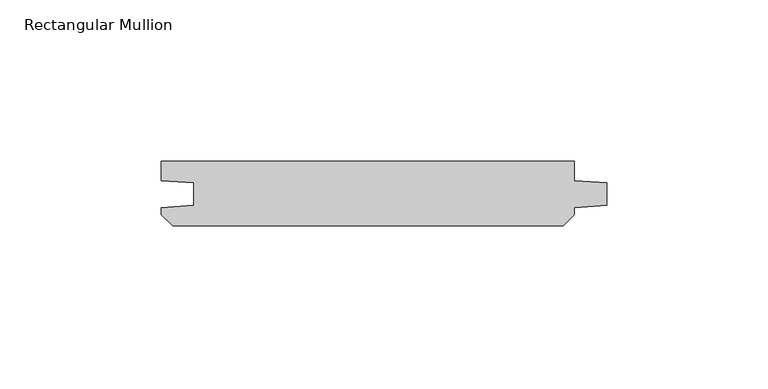
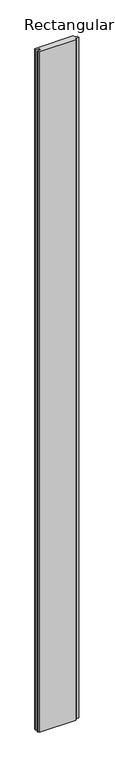
"""IFC4 building model written with IfcOpenShell, lengths in millimetres: member geometry, Rectangular Mullion."""

from ifc_helpers import new_model, si_unit, frame, origin, place, context, project, spatial, polyline, outline, extrude, source, transform, mapped, element, save


def rectangular_mullion_42955a20(model_context):
    return source(origin(), model_context, "Body", "SweptSolid", [
        extrude(outline(polyline([(-10.0, 0.0), (-10.0, -5.9651903), (0.0, -6.6644584), (0.0, -13.6642442), (-10.0, -14.3635124), (-10.0, -16.5283124), (-13.4716876, -20.0), (-134.5283124, -20.0), (-138.0, -16.5283124), (-138.0, -14.3635124), (-128.0, -13.6642442), (-128.0, -6.6644584), (-138.0, -5.9651903), (-138.0, 0.0), (-10.0, 0.0)])), frame((0.0, 0.0, -2400.0), z_axis=(0.0, 0.0, 1.0), x_axis=(1.0, 0.0, 0.0)), (0.0, 0.0, 1.0), 2400.0),
    ])


if __name__ == "__main__":
    model = new_model("IFC4")
    model_context = context("Model", 3, world=origin())
    ifc_project = project(units=[si_unit("LENGTHUNIT", "METRE", prefix="MILLI")], contexts=[model_context])
    site = spatial("IfcSite", under=ifc_project)
    building = spatial("IfcBuilding", under=site)
    placement = place(None, origin())
    rectangular_mullion_shape = rectangular_mullion_42955a20(model_context)
    element("IfcMember", 1, ObjectType="Rectangular Mullion", at=placement, inside=building, context=model_context, shape_type="MappedRepresentation", body=[
        mapped(rectangular_mullion_shape, transform((0.0, 0.0, 0.0), x_axis=(1.0, 0.0, 0.0), y_axis=(0.0, 1.0, 0.0), z_axis=(0.0, 0.0, 1.0))),
    ])
    save(model, "model.ifc")
